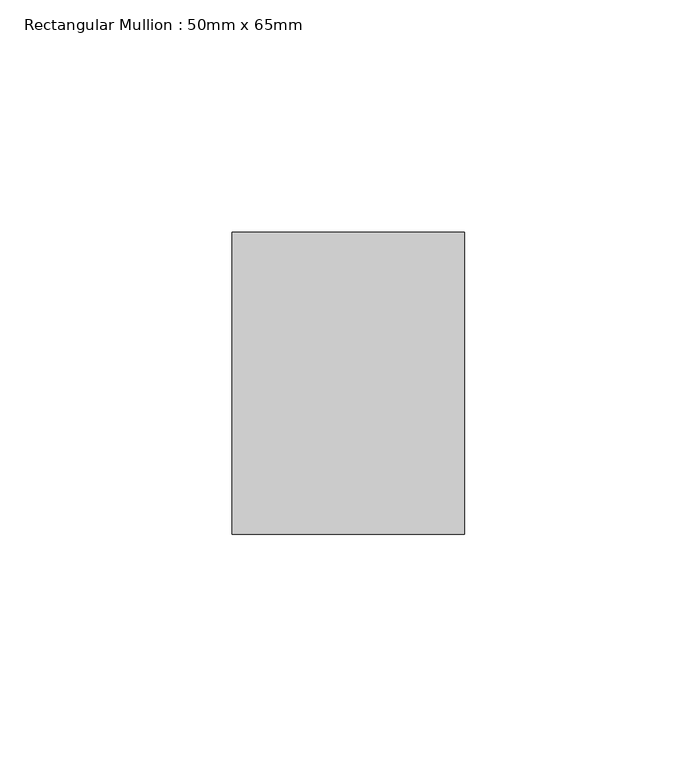
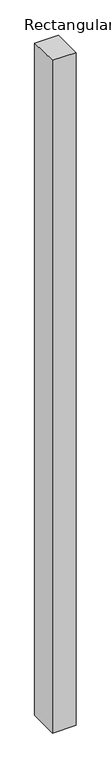
"""IFC4 building model written with IfcOpenShell, lengths in millimetres: member geometry, Rectangular Mullion : 50mm x 65mm."""

from ifc_helpers import new_model, si_unit, origin, place, context, project, spatial, faceted_brep, source, transform, mapped, element, save


def rectangular_mullion_50mm_x_65mm_a37bbee5(model_context):
    return source(origin(), model_context, "Body", "Brep", [
        faceted_brep([(-25.0, 32.5, -0.3536711), (25.0, 32.5, -0.353669), (25.0, 32.5, -1499.5482902), (-25.0, 32.5, -1499.5482875), (-25.0, -32.5, 0.353669), (-25.0, -32.5, -1500.4519164), (25.0, -32.5, 0.3536711), (25.0, -32.5, -1500.4519191)], [[[0, 1, 2, 3]], [[4, 0, 3, 5]], [[6, 4, 5, 7]], [[1, 6, 7, 2]], [[1, 0, 4, 6]], [[2, 7, 5, 3]]]),
    ])


if __name__ == "__main__":
    model = new_model("IFC4")
    model_context = context("Model", 3, world=origin())
    ifc_project = project(units=[si_unit("LENGTHUNIT", "METRE", prefix="MILLI")], contexts=[model_context])
    site = spatial("IfcSite", under=ifc_project)
    building = spatial("IfcBuilding", under=site)
    placement = place(None, origin())
    rectangular_mullion_50mm_x_65mm_shape = rectangular_mullion_50mm_x_65mm_a37bbee5(model_context)
    element("IfcMember", 1, ObjectType="Rectangular Mullion : 50mm x 65mm", at=placement, inside=building, context=model_context, shape_type="MappedRepresentation", body=[
        mapped(rectangular_mullion_50mm_x_65mm_shape, transform((0.0, 0.0, 0.0), x_axis=(1.0, 0.0, 0.0), y_axis=(0.0, 1.0, 0.0), z_axis=(0.0, 0.0, 1.0))),
    ])
    save(model, "model.ifc")
